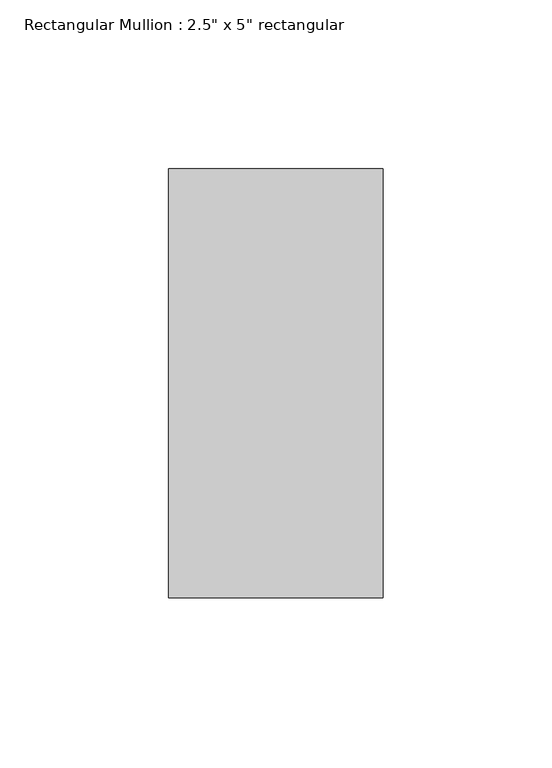
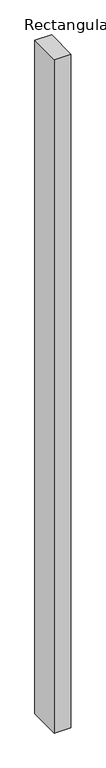
"""IFC4 building model written with IfcOpenShell, lengths in millimetres: member geometry."""

import ifcopenshell
import ifcopenshell.guid

model = None  # the IFC model being written
_history = None  # IfcOwnerHistory: only IFC2X3 demands one
_inside = {}  # id of a spatial element -> (the spatial element, [elements in it])
_under = {}  # id of a project, library or spatial element -> (it, [spatial elements below it])
_declared = {}  # id of a project -> (the project, [libraries it declares])
_typed = {}  # id of a type object -> (the type object, [elements of that type])
_made_of = {}  # id of a material, layer set ... -> (it, [elements and type objects made of it])


def new_model(schema):
    """Start an empty IFC model of exactly this schema.

    Asked for "IFC4X3", IfcOpenShell would pick the latest addendum, in which some entities
    have other attributes; the version numbers below select the first issue.
    IFC2X3 requires an IfcOwnerHistory on every rooted entity: one is made here for all.
    """
    global model, _history
    if schema == "IFC4X3":
        model = ifcopenshell.file(schema_version=(4, 3, 0, 0))
    else:
        model = ifcopenshell.file(schema=schema)
    _inside.clear()
    _under.clear()
    _declared.clear()
    _typed.clear()
    _made_of.clear()
    _history = None
    if model.schema == "IFC2X3":
        org = make("IfcOrganization", Name="unknown")
        user = make(
            "IfcPersonAndOrganization",
            ThePerson=make("IfcPerson", FamilyName="unknown"),
            TheOrganization=org,
        )
        app = make(
            "IfcApplication",
            ApplicationDeveloper=org,
            Version="unknown",
            ApplicationFullName="unknown",
            ApplicationIdentifier="unknown",
        )
        _history = make(
            "IfcOwnerHistory",
            OwningUser=user,
            OwningApplication=app,
            ChangeAction="ADDED",
            CreationDate=0,
        )
    return model


def make(cls, **values):
    """One entity of the class cls with the attributes given. An attribute that is None is left unset."""
    return model.create_entity(
        cls, **{name: value for name, value in values.items() if value is not None}
    )


def rooted(cls, **values):
    """An entity with a GlobalId (a new one), such as an element, a storey or a relation."""
    return make(cls, GlobalId=ifcopenshell.guid.new(), OwnerHistory=_history, **values)


def si_unit(unit_type, name, prefix=None):
    """IfcSIUnit, for example si_unit("LENGTHUNIT", "METRE", prefix="MILLI")."""
    return make("IfcSIUnit", UnitType=unit_type, Prefix=prefix, Name=name)


def assignment(units):
    """IfcUnitAssignment: the units of a project."""
    return None if units is None else make("IfcUnitAssignment", Units=units)


def point(xyz):
    """IfcCartesianPoint."""
    return None if xyz is None else make("IfcCartesianPoint", Coordinates=xyz)


def direction(xyz):
    """IfcDirection."""
    return None if xyz is None else make("IfcDirection", DirectionRatios=xyz)


def frame(location, z_axis=None, x_axis=None):
    """IfcAxis2Placement3D, a coordinate frame: its origin and axes. An axis left out is left unset."""
    return make(
        "IfcAxis2Placement3D",
        Location=point(location),
        Axis=direction(z_axis),
        RefDirection=direction(x_axis),
    )


def origin():
    """The frame at (0, 0, 0) with its axes left unset."""
    return frame((0.0, 0.0, 0.0))


def place(relative_to, where):
    """IfcLocalPlacement: puts the frame where relative to a parent placement (None: the world)."""
    return make(
        "IfcLocalPlacement", PlacementRelTo=relative_to, RelativePlacement=where
    )


def context(
    kind, dimensions, precision=None, world=None, true_north=None, identifier=None
):
    """IfcGeometricRepresentationContext, for example the 3D "Model" context."""
    return make(
        "IfcGeometricRepresentationContext",
        ContextIdentifier=identifier,
        ContextType=kind,
        CoordinateSpaceDimension=dimensions,
        Precision=precision,
        WorldCoordinateSystem=world,
        TrueNorth=true_north,
    )


def project(units=None, contexts=None):
    """IfcProject with its units and contexts."""
    return rooted(
        "IfcProject",
        Name="project",
        RepresentationContexts=contexts,
        UnitsInContext=assignment(units),
    )


def spatial(cls, under=None, at=None, **own):
    """A site, building, storey or space (cls), placed at a placement, below another one or the project."""
    s = rooted(cls, ObjectPlacement=at, **own)
    if under is not None:
        _under.setdefault(under.id(), (under, []))[1].append(s)
    return s


def polyline(points):
    """IfcPolyline through the points."""
    return make("IfcPolyline", Points=[point(p) for p in points])


def outline(outer, holes=None, kind="AREA"):
    """IfcArbitraryClosedProfileDef: a profile drawn as a closed curve; with holes, ...WithVoids."""
    if holes is None:
        return make("IfcArbitraryClosedProfileDef", ProfileType=kind, OuterCurve=outer)
    return make(
        "IfcArbitraryProfileDefWithVoids",
        ProfileType=kind,
        OuterCurve=outer,
        InnerCurves=holes,
    )


def extrude(swept, where, along, depth):
    """IfcExtrudedAreaSolid: the profile swept, set in the frame where, extruded along a direction by depth."""
    return make(
        "IfcExtrudedAreaSolid",
        SweptArea=swept,
        Position=where,
        ExtrudedDirection=direction(along),
        Depth=depth,
    )


def shape(context_of_items, identifier, shape_type, items):
    """IfcShapeRepresentation: the items that make up one representation, for example the "Body"."""
    return make(
        "IfcShapeRepresentation",
        ContextOfItems=context_of_items,
        RepresentationIdentifier=identifier,
        RepresentationType=shape_type,
        Items=items,
    )


def source(mapping_origin, context_of_items, identifier, shape_type, items):
    """IfcRepresentationMap: a shape defined once, which mapped items show again and again."""
    return make(
        "IfcRepresentationMap",
        MappingOrigin=mapping_origin,
        MappedRepresentation=shape(context_of_items, identifier, shape_type, items),
    )


def transform(
    local_origin,
    x_axis=None,
    y_axis=None,
    z_axis=None,
    scale=None,
    scale2=None,
    scale3=None,
    uniform=True,
):
    """IfcCartesianTransformationOperator3D, or its non-uniform kind. x_axis, y_axis, z_axis: its Axis1, 2, 3."""
    if uniform:
        return make(
            "IfcCartesianTransformationOperator3D",
            Axis1=direction(x_axis),
            Axis2=direction(y_axis),
            LocalOrigin=point(local_origin),
            Scale=scale,
            Axis3=direction(z_axis),
        )
    return make(
        "IfcCartesianTransformationOperator3DnonUniform",
        Axis1=direction(x_axis),
        Axis2=direction(y_axis),
        LocalOrigin=point(local_origin),
        Scale=scale,
        Axis3=direction(z_axis),
        Scale2=scale2,
        Scale3=scale3,
    )


def mapped(mapping_source, mapping_target):
    """IfcMappedItem: shows the shape of a source again, moved by a transform."""
    return make(
        "IfcMappedItem", MappingSource=mapping_source, MappingTarget=mapping_target
    )


def made_of(thing, what):
    """Note that an element or type object is made of a material, layer set ...; save() writes the relation."""
    if what is not None:
        _made_of.setdefault(what.id(), (what, []))[1].append(thing)
    return thing


def element(
    cls,
    number,
    at=None,
    inside=None,
    cuts=None,
    type_object=None,
    material=None,
    context=None,
    identifier="Body",
    shape_type=None,
    held_by="IfcProductDefinitionShape",
    body=None,
    shapes=None,
    **own,
):
    """One element of the class cls, such as IfcWall. Its Tag is "e" and its number.

    at: its placement. inside: the storey or other place that contains it. cuts: it is an
    opening in that element (IfcRelVoidsElement). A single representation is given by context,
    identifier, shape_type and body (its items); several are given by shapes. held_by: the class
    of the entity that holds the representations. save() writes the other relations.
    """
    e = rooted(cls, Tag="e%d" % number, ObjectPlacement=at, **own)
    if body is not None:
        shapes = [shape(context, identifier, shape_type, body)]
    if shapes is not None:
        e.Representation = make(held_by, Representations=shapes)
    if inside is not None:
        _inside.setdefault(inside.id(), (inside, []))[1].append(e)
    if cuts is not None:
        rooted(
            "IfcRelVoidsElement", RelatingBuildingElement=cuts, RelatedOpeningElement=e
        )
    if type_object is not None:
        _typed.setdefault(type_object.id(), (type_object, []))[1].append(e)
    return made_of(e, material)


def aggregate(whole, parts):
    """IfcRelAggregates: a whole, such as a stair, and the parts it consists of."""
    return rooted("IfcRelAggregates", RelatingObject=whole, RelatedObjects=parts)


def save(model, path):
    """Write the relations noted so far, then the file.

    IfcRelAggregates (storeys below a building ...), IfcRelContainedInSpatialStructure (elements
    in a storey), IfcRelDefinesByType, IfcRelAssociatesMaterial and IfcRelDeclares: one each for
    every whole, place, type object, material and project.
    """
    for whole, parts in _under.values():
        aggregate(whole, parts)
    for where, things in _inside.values():
        rooted(
            "IfcRelContainedInSpatialStructure",
            RelatedElements=things,
            RelatingStructure=where,
        )
    for kind, things in _typed.values():
        rooted("IfcRelDefinesByType", RelatedObjects=things, RelatingType=kind)
    for what, things in _made_of.values():
        rooted("IfcRelAssociatesMaterial", RelatedObjects=things, RelatingMaterial=what)
    for by, libraries in _declared.values():
        rooted("IfcRelDeclares", RelatingContext=by, RelatedDefinitions=libraries)
    model.write(path)


def member_c4e0f775(model_context):
    return source(origin(), model_context, "Body", "SweptSolid", [
        extrude(outline(polyline([(0.0, 63.5), (0.0, -63.5), (-63.5, -63.5), (-63.5, 63.5), (0.0, 63.5)])), frame((0.0, 0.0, -2700.0), z_axis=(0.0, 0.0, 1.0), x_axis=(1.0, 0.0, 0.0)), (0.0, 0.0, 1.0), 2700.0),
    ])


if __name__ == "__main__":
    model = new_model("IFC4")
    model_context = context("Model", 3, world=origin())
    ifc_project = project(units=[si_unit("LENGTHUNIT", "METRE", prefix="MILLI")], contexts=[model_context])
    site = spatial("IfcSite", under=ifc_project)
    building = spatial("IfcBuilding", under=site)
    placement = place(None, origin())
    member_shape = member_c4e0f775(model_context)
    element("IfcMember", 1, ObjectType="Rectangular Mullion : 2.5\" x 5\" rectangular", at=placement, inside=building, context=model_context, shape_type="MappedRepresentation", body=[
        mapped(member_shape, transform((0.0, 0.0, 0.0), x_axis=(1.0, 0.0, 0.0), y_axis=(0.0, 1.0, 0.0), z_axis=(0.0, 0.0, 1.0))),
    ])
    save(model, "model.ifc")
